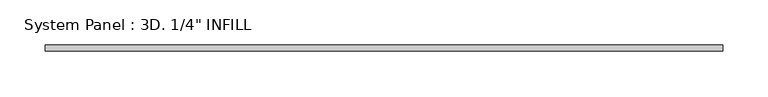
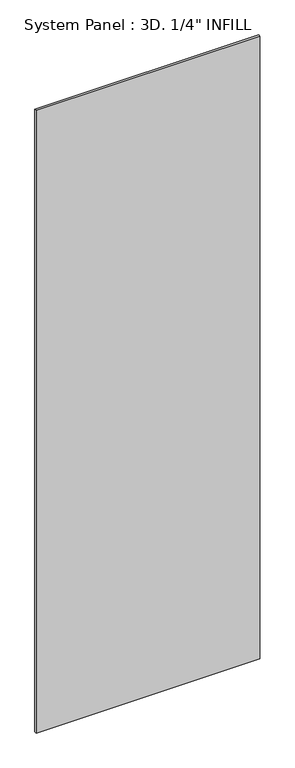
"""IFC4 building model written with IfcOpenShell, lengths in millimetres: plate geometry."""

import ifcopenshell
import ifcopenshell.guid

model = None  # the IFC model being written
_history = None  # IfcOwnerHistory: only IFC2X3 demands one
_inside = {}  # id of a spatial element -> (the spatial element, [elements in it])
_under = {}  # id of a project, library or spatial element -> (it, [spatial elements below it])
_declared = {}  # id of a project -> (the project, [libraries it declares])
_typed = {}  # id of a type object -> (the type object, [elements of that type])
_made_of = {}  # id of a material, layer set ... -> (it, [elements and type objects made of it])


def new_model(schema):
    """Start an empty IFC model of exactly this schema.

    Asked for "IFC4X3", IfcOpenShell would pick the latest addendum, in which some entities
    have other attributes; the version numbers below select the first issue.
    IFC2X3 requires an IfcOwnerHistory on every rooted entity: one is made here for all.
    """
    global model, _history
    if schema == "IFC4X3":
        model = ifcopenshell.file(schema_version=(4, 3, 0, 0))
    else:
        model = ifcopenshell.file(schema=schema)
    _inside.clear()
    _under.clear()
    _declared.clear()
    _typed.clear()
    _made_of.clear()
    _history = None
    if model.schema == "IFC2X3":
        org = make("IfcOrganization", Name="unknown")
        user = make(
            "IfcPersonAndOrganization",
            ThePerson=make("IfcPerson", FamilyName="unknown"),
            TheOrganization=org,
        )
        app = make(
            "IfcApplication",
            ApplicationDeveloper=org,
            Version="unknown",
            ApplicationFullName="unknown",
            ApplicationIdentifier="unknown",
        )
        _history = make(
            "IfcOwnerHistory",
            OwningUser=user,
            OwningApplication=app,
            ChangeAction="ADDED",
            CreationDate=0,
        )
    return model


def make(cls, **values):
    """One entity of the class cls with the attributes given. An attribute that is None is left unset."""
    return model.create_entity(
        cls, **{name: value for name, value in values.items() if value is not None}
    )


def rooted(cls, **values):
    """An entity with a GlobalId (a new one), such as an element, a storey or a relation."""
    return make(cls, GlobalId=ifcopenshell.guid.new(), OwnerHistory=_history, **values)


def si_unit(unit_type, name, prefix=None):
    """IfcSIUnit, for example si_unit("LENGTHUNIT", "METRE", prefix="MILLI")."""
    return make("IfcSIUnit", UnitType=unit_type, Prefix=prefix, Name=name)


def assignment(units):
    """IfcUnitAssignment: the units of a project."""
    return None if units is None else make("IfcUnitAssignment", Units=units)


def point(xyz):
    """IfcCartesianPoint."""
    return None if xyz is None else make("IfcCartesianPoint", Coordinates=xyz)


def direction(xyz):
    """IfcDirection."""
    return None if xyz is None else make("IfcDirection", DirectionRatios=xyz)


def frame(location, z_axis=None, x_axis=None):
    """IfcAxis2Placement3D, a coordinate frame: its origin and axes. An axis left out is left unset."""
    return make(
        "IfcAxis2Placement3D",
        Location=point(location),
        Axis=direction(z_axis),
        RefDirection=direction(x_axis),
    )


def origin():
    """The frame at (0, 0, 0) with its axes left unset."""
    return frame((0.0, 0.0, 0.0))


def origin_with_axes():
    """The frame at (0, 0, 0) with the z axis (0, 0, 1) and the x axis (1, 0, 0) written out."""
    return frame((0.0, 0.0, 0.0), z_axis=(0.0, 0.0, 1.0), x_axis=(1.0, 0.0, 0.0))


def place(relative_to, where):
    """IfcLocalPlacement: puts the frame where relative to a parent placement (None: the world)."""
    return make(
        "IfcLocalPlacement", PlacementRelTo=relative_to, RelativePlacement=where
    )


def context(
    kind, dimensions, precision=None, world=None, true_north=None, identifier=None
):
    """IfcGeometricRepresentationContext, for example the 3D "Model" context."""
    return make(
        "IfcGeometricRepresentationContext",
        ContextIdentifier=identifier,
        ContextType=kind,
        CoordinateSpaceDimension=dimensions,
        Precision=precision,
        WorldCoordinateSystem=world,
        TrueNorth=true_north,
    )


def project(units=None, contexts=None):
    """IfcProject with its units and contexts."""
    return rooted(
        "IfcProject",
        Name="project",
        RepresentationContexts=contexts,
        UnitsInContext=assignment(units),
    )


def spatial(cls, under=None, at=None, **own):
    """A site, building, storey or space (cls), placed at a placement, below another one or the project."""
    s = rooted(cls, ObjectPlacement=at, **own)
    if under is not None:
        _under.setdefault(under.id(), (under, []))[1].append(s)
    return s


def polyline(points):
    """IfcPolyline through the points."""
    return make("IfcPolyline", Points=[point(p) for p in points])


def outline(outer, holes=None, kind="AREA"):
    """IfcArbitraryClosedProfileDef: a profile drawn as a closed curve; with holes, ...WithVoids."""
    if holes is None:
        return make("IfcArbitraryClosedProfileDef", ProfileType=kind, OuterCurve=outer)
    return make(
        "IfcArbitraryProfileDefWithVoids",
        ProfileType=kind,
        OuterCurve=outer,
        InnerCurves=holes,
    )


def extrude(swept, where, along, depth):
    """IfcExtrudedAreaSolid: the profile swept, set in the frame where, extruded along a direction by depth."""
    return make(
        "IfcExtrudedAreaSolid",
        SweptArea=swept,
        Position=where,
        ExtrudedDirection=direction(along),
        Depth=depth,
    )


def shape(context_of_items, identifier, shape_type, items):
    """IfcShapeRepresentation: the items that make up one representation, for example the "Body"."""
    return make(
        "IfcShapeRepresentation",
        ContextOfItems=context_of_items,
        RepresentationIdentifier=identifier,
        RepresentationType=shape_type,
        Items=items,
    )


def source(mapping_origin, context_of_items, identifier, shape_type, items):
    """IfcRepresentationMap: a shape defined once, which mapped items show again and again."""
    return make(
        "IfcRepresentationMap",
        MappingOrigin=mapping_origin,
        MappedRepresentation=shape(context_of_items, identifier, shape_type, items),
    )


def transform(
    local_origin,
    x_axis=None,
    y_axis=None,
    z_axis=None,
    scale=None,
    scale2=None,
    scale3=None,
    uniform=True,
):
    """IfcCartesianTransformationOperator3D, or its non-uniform kind. x_axis, y_axis, z_axis: its Axis1, 2, 3."""
    if uniform:
        return make(
            "IfcCartesianTransformationOperator3D",
            Axis1=direction(x_axis),
            Axis2=direction(y_axis),
            LocalOrigin=point(local_origin),
            Scale=scale,
            Axis3=direction(z_axis),
        )
    return make(
        "IfcCartesianTransformationOperator3DnonUniform",
        Axis1=direction(x_axis),
        Axis2=direction(y_axis),
        LocalOrigin=point(local_origin),
        Scale=scale,
        Axis3=direction(z_axis),
        Scale2=scale2,
        Scale3=scale3,
    )


def mapped(mapping_source, mapping_target):
    """IfcMappedItem: shows the shape of a source again, moved by a transform."""
    return make(
        "IfcMappedItem", MappingSource=mapping_source, MappingTarget=mapping_target
    )


def made_of(thing, what):
    """Note that an element or type object is made of a material, layer set ...; save() writes the relation."""
    if what is not None:
        _made_of.setdefault(what.id(), (what, []))[1].append(thing)
    return thing


def element(
    cls,
    number,
    at=None,
    inside=None,
    cuts=None,
    type_object=None,
    material=None,
    context=None,
    identifier="Body",
    shape_type=None,
    held_by="IfcProductDefinitionShape",
    body=None,
    shapes=None,
    **own,
):
    """One element of the class cls, such as IfcWall. Its Tag is "e" and its number.

    at: its placement. inside: the storey or other place that contains it. cuts: it is an
    opening in that element (IfcRelVoidsElement). A single representation is given by context,
    identifier, shape_type and body (its items); several are given by shapes. held_by: the class
    of the entity that holds the representations. save() writes the other relations.
    """
    e = rooted(cls, Tag="e%d" % number, ObjectPlacement=at, **own)
    if body is not None:
        shapes = [shape(context, identifier, shape_type, body)]
    if shapes is not None:
        e.Representation = make(held_by, Representations=shapes)
    if inside is not None:
        _inside.setdefault(inside.id(), (inside, []))[1].append(e)
    if cuts is not None:
        rooted(
            "IfcRelVoidsElement", RelatingBuildingElement=cuts, RelatedOpeningElement=e
        )
    if type_object is not None:
        _typed.setdefault(type_object.id(), (type_object, []))[1].append(e)
    return made_of(e, material)


def aggregate(whole, parts):
    """IfcRelAggregates: a whole, such as a stair, and the parts it consists of."""
    return rooted("IfcRelAggregates", RelatingObject=whole, RelatedObjects=parts)


def save(model, path):
    """Write the relations noted so far, then the file.

    IfcRelAggregates (storeys below a building ...), IfcRelContainedInSpatialStructure (elements
    in a storey), IfcRelDefinesByType, IfcRelAssociatesMaterial and IfcRelDeclares: one each for
    every whole, place, type object, material and project.
    """
    for whole, parts in _under.values():
        aggregate(whole, parts)
    for where, things in _inside.values():
        rooted(
            "IfcRelContainedInSpatialStructure",
            RelatedElements=things,
            RelatingStructure=where,
        )
    for kind, things in _typed.values():
        rooted("IfcRelDefinesByType", RelatedObjects=things, RelatingType=kind)
    for what, things in _made_of.values():
        rooted("IfcRelAssociatesMaterial", RelatedObjects=things, RelatingMaterial=what)
    for by, libraries in _declared.values():
        rooted("IfcRelDeclares", RelatingContext=by, RelatedDefinitions=libraries)
    model.write(path)


def plate_df7320e9(model_context):
    return source(origin(), model_context, "Body", "SweptSolid", [
        extrude(outline(polyline([(372.0802323, -20.5382813), (-372.0802323, -20.5382813), (-372.0802323, -14.1882813), (372.0802323, -14.1882813), (372.0802323, -20.5382813)])), origin_with_axes(), (0.0, 0.0, 1.0), 2189.2555786),
    ])


if __name__ == "__main__":
    model = new_model("IFC4")
    model_context = context("Model", 3, world=origin())
    ifc_project = project(units=[si_unit("LENGTHUNIT", "METRE", prefix="MILLI")], contexts=[model_context])
    site = spatial("IfcSite", under=ifc_project)
    building = spatial("IfcBuilding", under=site)
    placement = place(None, origin())
    plate_shape = plate_df7320e9(model_context)
    element("IfcPlate", 1, ObjectType="System Panel : 3D. 1/4\" INFILL", at=placement, inside=building, context=model_context, shape_type="MappedRepresentation", body=[
        mapped(plate_shape, transform((0.0, 0.0, 0.0), x_axis=(1.0, 0.0, 0.0), y_axis=(0.0, 1.0, 0.0), z_axis=(0.0, 0.0, 1.0))),
    ])
    save(model, "model.ifc")
